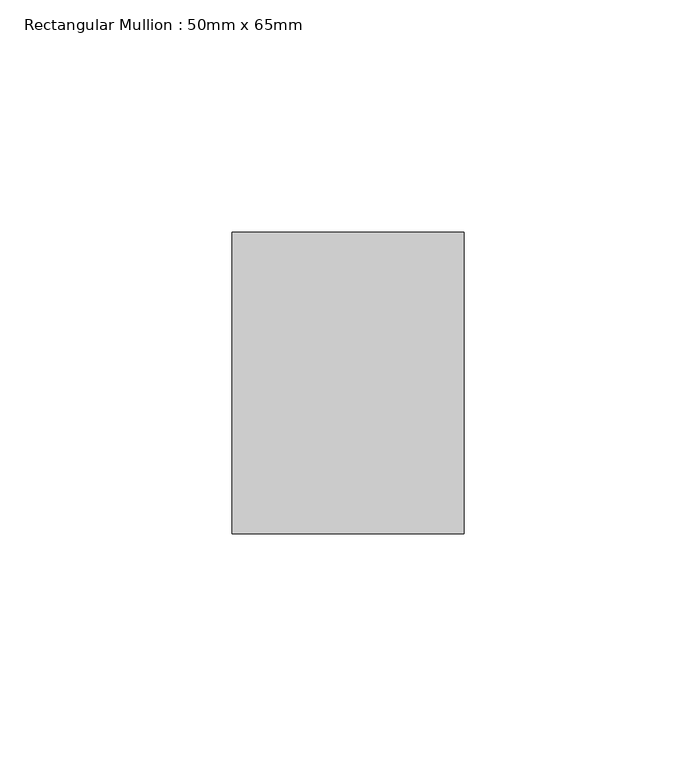
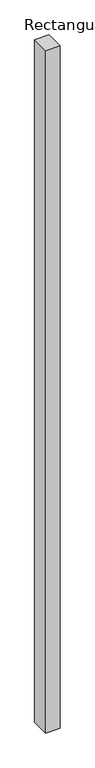
"""IFC4 building model written with IfcOpenShell, lengths in millimetres: member geometry, Rectangular Mullion : 50mm x 65mm."""

from ifc_helpers import new_model, si_unit, frame, origin, place, context, project, spatial, polyline, outline, extrude, source, transform, mapped, element, save


def rectangular_mullion_50mm_x_65mm_8c0c5b7a(model_context):
    return source(origin(), model_context, "Body", "SweptSolid", [
        extrude(outline(polyline([(25.0, 32.5), (25.0, -32.5), (-25.0, -32.5), (-25.0, 32.5), (25.0, 32.5)])), frame((0.0, 0.0, -2478.0260387), z_axis=(0.0, 0.0, 1.0), x_axis=(1.0, 0.0, 0.0)), (0.0, 0.0, 1.0), 2478.0260387),
    ])


if __name__ == "__main__":
    model = new_model("IFC4")
    model_context = context("Model", 3, world=origin())
    ifc_project = project(units=[si_unit("LENGTHUNIT", "METRE", prefix="MILLI")], contexts=[model_context])
    site = spatial("IfcSite", under=ifc_project)
    building = spatial("IfcBuilding", under=site)
    placement = place(None, origin())
    rectangular_mullion_50mm_x_65mm_shape = rectangular_mullion_50mm_x_65mm_8c0c5b7a(model_context)
    element("IfcMember", 1, ObjectType="Rectangular Mullion : 50mm x 65mm", at=placement, inside=building, context=model_context, shape_type="MappedRepresentation", body=[
        mapped(rectangular_mullion_50mm_x_65mm_shape, transform((0.0, 0.0, 0.0), x_axis=(1.0, 0.0, 0.0), y_axis=(0.0, 1.0, 0.0), z_axis=(0.0, 0.0, 1.0))),
    ])
    save(model, "model.ifc")
